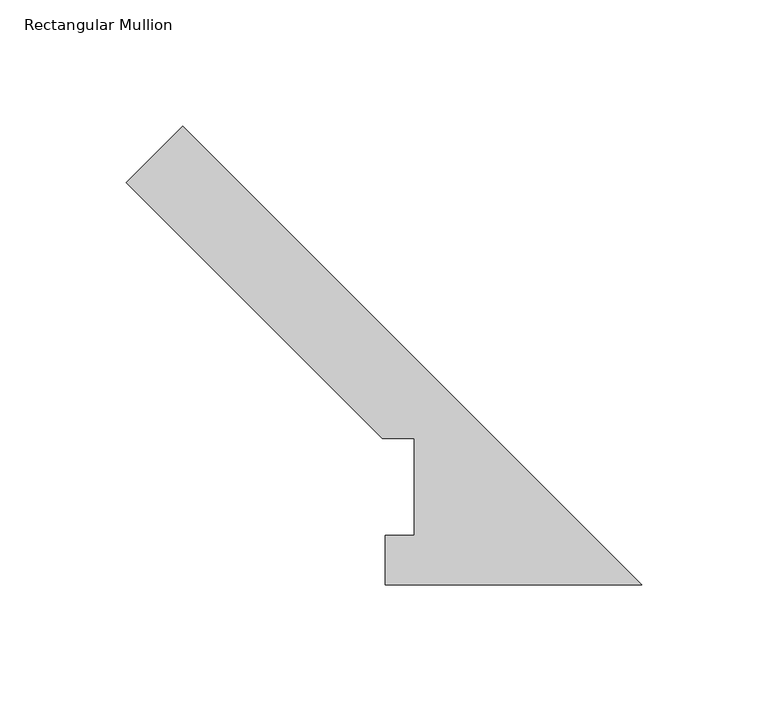
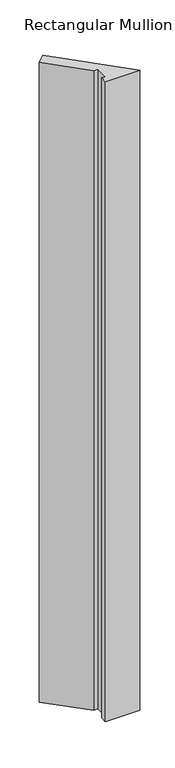
"""IFC4 building model written with IfcOpenShell, lengths in millimetres: member geometry, Rectangular Mullion."""

from ifc_helpers import new_model, si_unit, frame, origin, place, context, project, spatial, polyline, outline, extrude, source, transform, mapped, element, save


def rectangular_mullion_b6f7d68e(model_context):
    return source(origin(), model_context, "Body", "SweptSolid", [
        extrude(outline(polyline([(-101.7012192, 0.0356074), (-101.7012192, 19.5682074), (-90.1094233, 19.5682074), (-90.1094233, 57.94375), (-102.8094233, 57.94375), (-204.2794598, 159.4137865), (-181.8288194, 181.8644268), (0.0, 0.0356074), (-101.7012192, 0.0356074)])), frame((0.0, 0.0, -1993.9), z_axis=(0.0, 0.0, 1.0), x_axis=(1.0, 0.0, 0.0)), (0.0, 0.0, 1.0), 1993.9),
    ])


if __name__ == "__main__":
    model = new_model("IFC4")
    model_context = context("Model", 3, world=origin())
    ifc_project = project(units=[si_unit("LENGTHUNIT", "METRE", prefix="MILLI")], contexts=[model_context])
    site = spatial("IfcSite", under=ifc_project)
    building = spatial("IfcBuilding", under=site)
    placement = place(None, origin())
    rectangular_mullion_shape = rectangular_mullion_b6f7d68e(model_context)
    element("IfcMember", 1, ObjectType="Rectangular Mullion", at=placement, inside=building, context=model_context, shape_type="MappedRepresentation", body=[
        mapped(rectangular_mullion_shape, transform((0.0, 0.0, 0.0), x_axis=(1.0, 0.0, 0.0), y_axis=(0.0, 1.0, 0.0), z_axis=(0.0, 0.0, 1.0))),
    ])
    save(model, "model.ifc")
